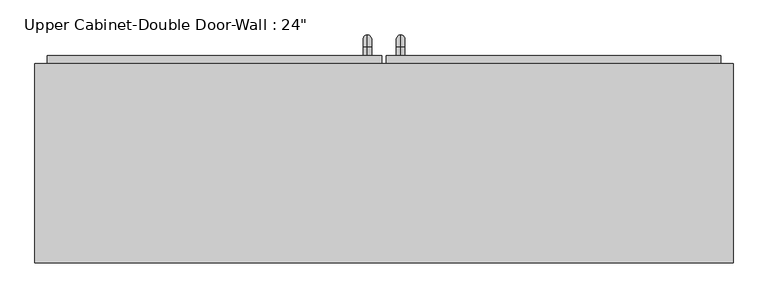
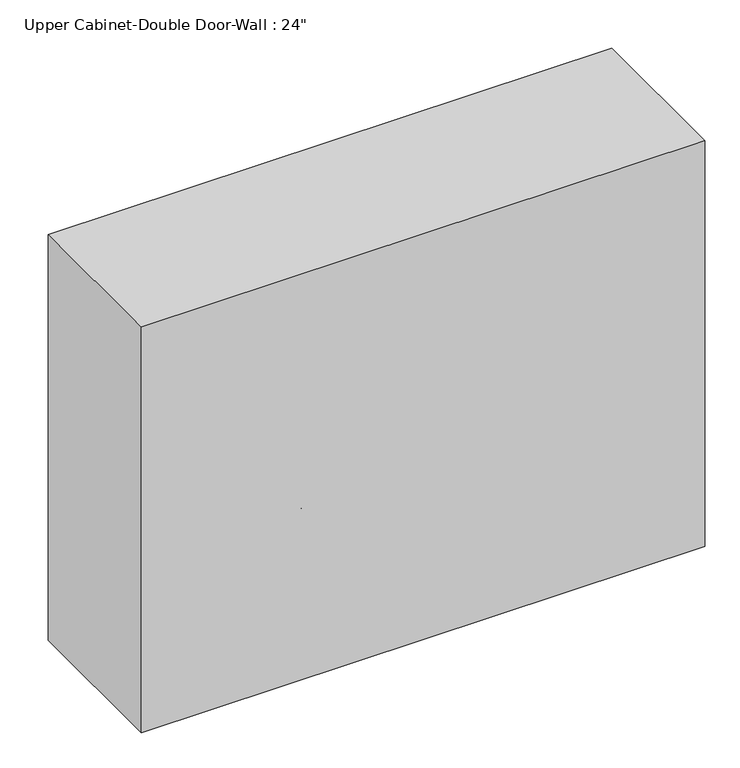
"""IFC4 building model written with IfcOpenShell, lengths in millimetres: furniture geometry."""

from ifc_helpers import new_model, si_unit, point, frame, origin, place, context, project, spatial, polyline, circle_curve, ellipse_curve, trimmed, outline, extrude, faceted_brep, source, transform, mapped, element, save
from ifc_brep_helpers import plane_surface, cylinder_surface, revolved_surface, advanced_brep


def furniture_1e12dde3(model_context):
    return source(origin(), model_context, "Body", "SolidModel", [
        faceted_brep([(-503.6288372, 76.2, 2133.6), (-503.6288372, 76.2, 1320.8), (563.1711628, 76.2, 1320.8), (563.1711628, 76.2, 2133.6), (-503.6288372, 381.0, 2133.6), (563.1711628, 381.0, 2133.6), (563.1711628, 381.0, 1320.8), (-503.6288372, 381.0, 1320.8), (-484.5788372, 381.0, 2114.55), (-484.5788372, 381.0, 1339.85), (544.1211628, 381.0, 1339.85), (544.1211628, 381.0, 2114.55), (544.1211628, 95.25, 2114.55), (-484.5788372, 95.25, 2114.55), (544.1211628, 95.25, 1339.85), (-484.5788372, 95.25, 1339.85)], [[[0, 1, 2, 3]], [[4, 5, 6, 7], [8, 9, 10, 11]], [[1, 0, 4, 7]], [[2, 1, 7, 6]], [[3, 2, 6, 5]], [[0, 3, 5, 4]], [[8, 11, 12, 13]], [[11, 10, 14, 12]], [[10, 9, 15, 14]], [[9, 8, 13, 15]], [[13, 12, 14, 15]]]),
        advanced_brep(
        [(55.1711628, 393.7, 1466.85), (55.1711628, 393.7, 1479.55), (55.1711628, 406.4, 1466.85), (55.1711628, 406.4, 1479.55), (55.1711628, 425.45, 1460.5), (55.1711628, 412.75, 1460.5), (55.1711628, 412.75, 1384.3), (55.1711628, 425.45, 1384.3), (55.1711628, 406.4, 1365.25), (55.1711628, 406.4, 1377.95), (55.1711628, 393.7, 1377.95), (55.1711628, 393.7, 1365.25)],
        [
            (0, 1, circle_curve(frame((55.1711628, 393.7, 1473.2), z_axis=(0.0, -1.0, 0.0), x_axis=(0.0, 0.0, -1.0)), 6.35)),
            (1, 0, circle_curve(frame((55.1711628, 393.7, 1473.2), z_axis=(0.0, -1.0, 0.0), x_axis=(0.0, 0.0, -1.0)), 6.35)),
            (0, 2),
            (2, 3, circle_curve(frame((55.1711628, 406.4, 1473.2), z_axis=(0.0, -1.0, 0.0), x_axis=(0.0, 0.0, -1.0)), 6.35)),
            (3, 1),
            (3, 2, circle_curve(frame((55.1711628, 406.4, 1473.2), z_axis=(0.0, -1.0, 0.0), x_axis=(0.0, 0.0, -1.0)), 6.35)),
            (4, 3, circle_curve(frame((55.1711628, 406.4, 1460.5), z_axis=(1.0, 0.0, 0.0), x_axis=(0.0, 0.0, 1.0)), 19.05)),
            (2, 5, circle_curve(frame((55.1711628, 406.4, 1460.5), z_axis=(-1.0, 0.0, 0.0), x_axis=(0.0, 0.0, 1.0)), 6.35)),
            (5, 4, circle_curve(frame((55.1711628, 419.1, 1460.5), z_axis=(0.0, 0.0, 1.0), x_axis=(0.0, -1.0, 0.0)), 6.35)),
            (4, 5, circle_curve(frame((55.1711628, 419.1, 1460.5), z_axis=(0.0, 0.0, 1.0), x_axis=(0.0, -1.0, 0.0)), 6.35)),
            (5, 6),
            (6, 7, circle_curve(frame((55.1711628, 419.1, 1384.3), z_axis=(0.0, 0.0, 1.0), x_axis=(0.0, -1.0, 0.0)), 6.35)),
            (7, 4),
            (7, 6, circle_curve(frame((55.1711628, 419.1, 1384.3), z_axis=(0.0, 0.0, 1.0), x_axis=(0.0, -1.0, 0.0)), 6.35)),
            (8, 7, circle_curve(frame((55.1711628, 406.4, 1384.3), z_axis=(1.0, 0.0, 0.0), x_axis=(0.0, 1.0, 0.0)), 19.05)),
            (6, 9, circle_curve(frame((55.1711628, 406.4, 1384.3), z_axis=(-1.0, 0.0, 0.0), x_axis=(0.0, 1.0, 0.0)), 6.35)),
            (9, 8, circle_curve(frame((55.1711628, 406.4, 1371.6), z_axis=(0.0, 1.0, 0.0), x_axis=(0.0, 0.0, 1.0)), 6.35)),
            (8, 9, circle_curve(frame((55.1711628, 406.4, 1371.6), z_axis=(0.0, 1.0, 0.0), x_axis=(0.0, 0.0, 1.0)), 6.35)),
            (10, 11, circle_curve(frame((55.1711628, 393.7, 1371.6), z_axis=(0.0, -1.0, 0.0), x_axis=(0.0, 0.0, 1.0)), 6.35)),
            (11, 10, circle_curve(frame((55.1711628, 393.7, 1371.6), z_axis=(0.0, -1.0, 0.0), x_axis=(0.0, 0.0, 1.0)), 6.35)),
            (9, 10),
            (11, 8),
        ],
        [
            plane_surface(frame((48.8211628, 393.7, 1473.2), z_axis=(0.0, -1.0, 0.0), x_axis=(0.0, 0.0, 1.0))),
            cylinder_surface(frame((55.1711628, 393.7, 1473.2), z_axis=(0.0, -1.0, 0.0), x_axis=(0.0, 0.0, -1.0)), 6.35),
            revolved_surface(trimmed(ellipse_curve(frame((55.1711628, 406.4, 1473.2), z_axis=(0.0, -1.0, 0.0), x_axis=(0.0, 0.0, -1.0)), 6.35, 6.35), [point((55.1711628, 406.4, 1466.85))], [point((55.1711628, 406.4, 1479.55))], True, "CARTESIAN"), (55.1711628, 406.4, 1460.5), (-1.0, 0.0, 0.0)),
            revolved_surface(trimmed(ellipse_curve(frame((55.1711628, 406.4, 1473.2), z_axis=(0.0, -1.0, 0.0), x_axis=(0.0, 0.0, -1.0)), 6.35, 6.35), [point((55.1711628, 406.4, 1479.55))], [point((55.1711628, 406.4, 1466.85))], True, "CARTESIAN"), (55.1711628, 406.4, 1460.5), (-1.0, 0.0, 0.0)),
            cylinder_surface(frame((55.1711628, 419.1, 1460.5), z_axis=(0.0, 0.0, 1.0), x_axis=(0.0, -1.0, 0.0)), 6.35),
            revolved_surface(trimmed(ellipse_curve(frame((55.1711628, 419.1, 1384.3), z_axis=(0.0, 0.0, 1.0), x_axis=(0.0, -1.0, 0.0)), 6.35, 6.35), [point((55.1711628, 412.75, 1384.3))], [point((55.1711628, 425.45, 1384.3))], True, "CARTESIAN"), (55.1711628, 406.4, 1384.3), (-1.0, 0.0, 0.0)),
            revolved_surface(trimmed(ellipse_curve(frame((55.1711628, 419.1, 1384.3), z_axis=(0.0, 0.0, 1.0), x_axis=(0.0, -1.0, 0.0)), 6.35, 6.35), [point((55.1711628, 425.45, 1384.3))], [point((55.1711628, 412.75, 1384.3))], True, "CARTESIAN"), (55.1711628, 406.4, 1384.3), (-1.0, 0.0, 0.0)),
            plane_surface(frame((48.8211628, 393.7, 1371.6), z_axis=(0.0, -1.0, 0.0), x_axis=(0.0, 0.0, -1.0))),
            cylinder_surface(frame((55.1711628, 406.4, 1371.6), z_axis=(0.0, 1.0, 0.0), x_axis=(0.0, 0.0, 1.0)), 6.35),
        ],
        [
            (0, [[1, 2]]),
            (1, [[-1, 3, 4, 5]]),
            (1, [[-2, -5, 6, -3]]),
            (2, [[7, -4, 8, 9]]),
            (3, [[-8, -6, -7, 10]]),
            (4, [[-9, 11, 12, 13]]),
            (4, [[-10, -13, 14, -11]]),
            (5, [[15, -12, 16, 17]]),
            (6, [[-16, -14, -15, 18]]),
            (7, [[19, 20]]),
            (8, [[-17, 21, -20, 22]]),
            (8, [[-18, -22, -19, -21]]),
        ],
    ),
        advanced_brep(
        [(4.3711628, 393.7, 1466.85), (4.3711628, 393.7, 1479.55), (4.3711628, 406.4, 1466.85), (4.3711628, 406.4, 1479.55), (4.3711628, 425.45, 1460.5), (4.3711628, 412.75, 1460.5), (4.3711628, 412.75, 1384.3), (4.3711628, 425.45, 1384.3), (4.3711628, 406.4, 1365.25), (4.3711628, 406.4, 1377.95), (4.3711628, 393.7, 1377.95), (4.3711628, 393.7, 1365.25)],
        [
            (0, 1, circle_curve(frame((4.3711628, 393.7, 1473.2), z_axis=(0.0, -1.0, 0.0), x_axis=(0.0, 0.0, 1.0)), 6.35)),
            (1, 0, circle_curve(frame((4.3711628, 393.7, 1473.2), z_axis=(0.0, -1.0, 0.0), x_axis=(0.0, 0.0, 1.0)), 6.35)),
            (0, 2),
            (2, 3, circle_curve(frame((4.3711628, 406.4, 1473.2), z_axis=(0.0, -1.0, 0.0), x_axis=(0.0, 0.0, 1.0)), 6.35)),
            (3, 1),
            (3, 2, circle_curve(frame((4.3711628, 406.4, 1473.2), z_axis=(0.0, -1.0, 0.0), x_axis=(0.0, 0.0, 1.0)), 6.35)),
            (4, 3, circle_curve(frame((4.3711628, 406.4, 1460.5), z_axis=(1.0, 0.0, 0.0), x_axis=(0.0, 0.0, 1.0)), 19.05)),
            (2, 5, circle_curve(frame((4.3711628, 406.4, 1460.5), z_axis=(-1.0, 0.0, 0.0), x_axis=(0.0, 0.0, 1.0)), 6.35)),
            (5, 4, circle_curve(frame((4.3711628, 419.1, 1460.5), z_axis=(0.0, 0.0, 1.0), x_axis=(0.0, 1.0, 0.0)), 6.35)),
            (4, 5, circle_curve(frame((4.3711628, 419.1, 1460.5), z_axis=(0.0, 0.0, 1.0), x_axis=(0.0, 1.0, 0.0)), 6.35)),
            (5, 6),
            (6, 7, circle_curve(frame((4.3711628, 419.1, 1384.3), z_axis=(0.0, 0.0, 1.0), x_axis=(0.0, 1.0, 0.0)), 6.35)),
            (7, 4),
            (7, 6, circle_curve(frame((4.3711628, 419.1, 1384.3), z_axis=(0.0, 0.0, 1.0), x_axis=(0.0, 1.0, 0.0)), 6.35)),
            (8, 7, circle_curve(frame((4.3711628, 406.4, 1384.3), z_axis=(1.0, 0.0, 0.0), x_axis=(0.0, 1.0, 0.0)), 19.05)),
            (6, 9, circle_curve(frame((4.3711628, 406.4, 1384.3), z_axis=(-1.0, 0.0, 0.0), x_axis=(0.0, 1.0, 0.0)), 6.35)),
            (9, 8, circle_curve(frame((4.3711628, 406.4, 1371.6), z_axis=(0.0, 1.0, 0.0), x_axis=(0.0, 0.0, -1.0)), 6.35)),
            (8, 9, circle_curve(frame((4.3711628, 406.4, 1371.6), z_axis=(0.0, 1.0, 0.0), x_axis=(0.0, 0.0, -1.0)), 6.35)),
            (10, 11, circle_curve(frame((4.3711628, 393.7, 1371.6), z_axis=(0.0, -1.0, 0.0), x_axis=(0.0, 0.0, -1.0)), 6.35)),
            (11, 10, circle_curve(frame((4.3711628, 393.7, 1371.6), z_axis=(0.0, -1.0, 0.0), x_axis=(0.0, 0.0, -1.0)), 6.35)),
            (9, 10),
            (11, 8),
        ],
        [
            plane_surface(frame((-1.9788372, 393.7, 1473.2), z_axis=(0.0, -1.0, 0.0), x_axis=(0.0, 0.0, 1.0))),
            cylinder_surface(frame((4.3711628, 393.7, 1473.2), z_axis=(0.0, -1.0, 0.0), x_axis=(0.0, 0.0, 1.0)), 6.35),
            revolved_surface(trimmed(ellipse_curve(frame((4.3711628, 406.4, 1473.2), z_axis=(0.0, -1.0, 0.0), x_axis=(0.0, 0.0, 1.0)), 6.35, 6.35), [point((4.3711628, 406.4, 1466.85))], [point((4.3711628, 406.4, 1479.55))], True, "CARTESIAN"), (4.3711628, 406.4, 1460.5), (-1.0, 0.0, 0.0)),
            revolved_surface(trimmed(ellipse_curve(frame((4.3711628, 406.4, 1473.2), z_axis=(0.0, -1.0, 0.0), x_axis=(0.0, 0.0, 1.0)), 6.35, 6.35), [point((4.3711628, 406.4, 1479.55))], [point((4.3711628, 406.4, 1466.85))], True, "CARTESIAN"), (4.3711628, 406.4, 1460.5), (-1.0, 0.0, 0.0)),
            cylinder_surface(frame((4.3711628, 419.1, 1460.5), z_axis=(0.0, 0.0, 1.0), x_axis=(0.0, 1.0, 0.0)), 6.35),
            revolved_surface(trimmed(ellipse_curve(frame((4.3711628, 419.1, 1384.3), z_axis=(0.0, 0.0, 1.0), x_axis=(0.0, 1.0, 0.0)), 6.35, 6.35), [point((4.3711628, 412.75, 1384.3))], [point((4.3711628, 425.45, 1384.3))], True, "CARTESIAN"), (4.3711628, 406.4, 1384.3), (-1.0, 0.0, 0.0)),
            revolved_surface(trimmed(ellipse_curve(frame((4.3711628, 419.1, 1384.3), z_axis=(0.0, 0.0, 1.0), x_axis=(0.0, 1.0, 0.0)), 6.35, 6.35), [point((4.3711628, 425.45, 1384.3))], [point((4.3711628, 412.75, 1384.3))], True, "CARTESIAN"), (4.3711628, 406.4, 1384.3), (-1.0, 0.0, 0.0)),
            plane_surface(frame((-1.9788372, 393.7, 1371.6), z_axis=(0.0, -1.0, 0.0), x_axis=(0.0, 0.0, -1.0))),
            cylinder_surface(frame((4.3711628, 406.4, 1371.6), z_axis=(0.0, 1.0, 0.0), x_axis=(0.0, 0.0, -1.0)), 6.35),
        ],
        [
            (0, [[1, 2]]),
            (1, [[-1, 3, 4, 5]]),
            (1, [[-2, -5, 6, -3]]),
            (2, [[7, -4, 8, 9]]),
            (3, [[-8, -6, -7, 10]]),
            (4, [[-9, 11, 12, 13]]),
            (4, [[-10, -13, 14, -11]]),
            (5, [[15, -12, 16, 17]]),
            (6, [[-16, -14, -15, 18]]),
            (7, [[19, 20]]),
            (8, [[-17, 21, -20, 22]]),
            (8, [[-18, -22, -19, -21]]),
        ],
    ),
        extrude(outline(polyline([(32.9461628, 393.7), (544.1211628, 393.7), (544.1211628, 361.95), (32.9461628, 361.95), (32.9461628, 393.7)])), frame((0.0, 0.0, 1339.85), z_axis=(0.0, 0.0, 1.0), x_axis=(1.0, 0.0, 0.0)), (0.0, 0.0, 1.0), 774.7),
        extrude(outline(polyline([(-484.5788372, 393.7), (26.5961628, 393.7), (26.5961628, 361.95), (-484.5788372, 361.95), (-484.5788372, 393.7)])), frame((0.0, 0.0, 1339.85), z_axis=(0.0, 0.0, 1.0), x_axis=(1.0, 0.0, 0.0)), (0.0, 0.0, 1.0), 774.7),
    ])


if __name__ == "__main__":
    model = new_model("IFC4")
    model_context = context("Model", 3, world=origin())
    ifc_project = project(units=[si_unit("LENGTHUNIT", "METRE", prefix="MILLI")], contexts=[model_context])
    site = spatial("IfcSite", under=ifc_project)
    building = spatial("IfcBuilding", under=site)
    placement = place(None, origin())
    furniture_shape = furniture_1e12dde3(model_context)
    element("IfcFurniture", 1, ObjectType="Upper Cabinet-Double Door-Wall : 24\"", at=placement, inside=building, context=model_context, shape_type="MappedRepresentation", body=[
        mapped(furniture_shape, transform((0.0, 0.0, 0.0), x_axis=(1.0, 0.0, 0.0), y_axis=(0.0, 1.0, 0.0), z_axis=(0.0, 0.0, 1.0))),
    ])
    save(model, "model.ifc")
